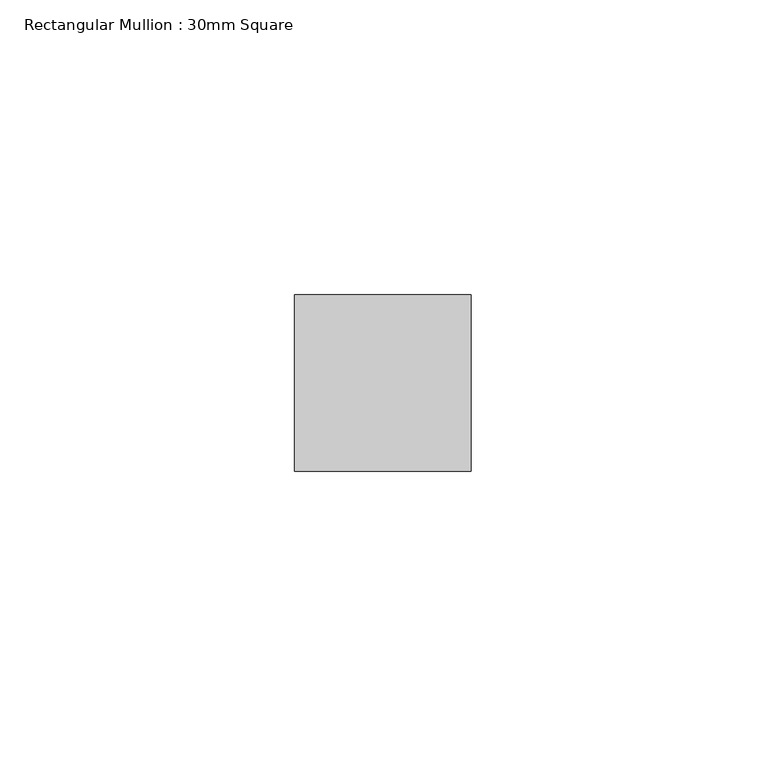
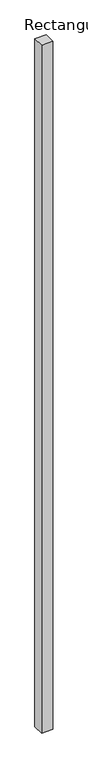
"""IFC4 building model written with IfcOpenShell, lengths in millimetres: member geometry, Rectangular Mullion : 30mm Square."""

from ifc_helpers import new_model, si_unit, frame, origin, place, context, project, spatial, polyline, outline, extrude, source, transform, mapped, element, save


def rectangular_mullion_30mm_square_229ce538(model_context):
    return source(origin(), model_context, "Body", "SweptSolid", [
        extrude(outline(polyline([(0.0, 15.0), (0.0, -15.0), (-30.0, -15.0), (-30.0, 15.0), (0.0, 15.0)])), frame((0.0, 0.0, -1905.0165053), z_axis=(0.0, 0.0, 1.0), x_axis=(1.0, 0.0, 0.0)), (0.0, 0.0, 1.0), 1905.0165053),
    ])


if __name__ == "__main__":
    model = new_model("IFC4")
    model_context = context("Model", 3, world=origin())
    ifc_project = project(units=[si_unit("LENGTHUNIT", "METRE", prefix="MILLI")], contexts=[model_context])
    site = spatial("IfcSite", under=ifc_project)
    building = spatial("IfcBuilding", under=site)
    placement = place(None, origin())
    rectangular_mullion_30mm_square_shape = rectangular_mullion_30mm_square_229ce538(model_context)
    element("IfcMember", 1, ObjectType="Rectangular Mullion : 30mm Square", at=placement, inside=building, context=model_context, shape_type="MappedRepresentation", body=[
        mapped(rectangular_mullion_30mm_square_shape, transform((0.0, 0.0, 0.0), x_axis=(1.0, 0.0, 0.0), y_axis=(0.0, 1.0, 0.0), z_axis=(0.0, 0.0, 1.0))),
    ])
    save(model, "model.ifc")
